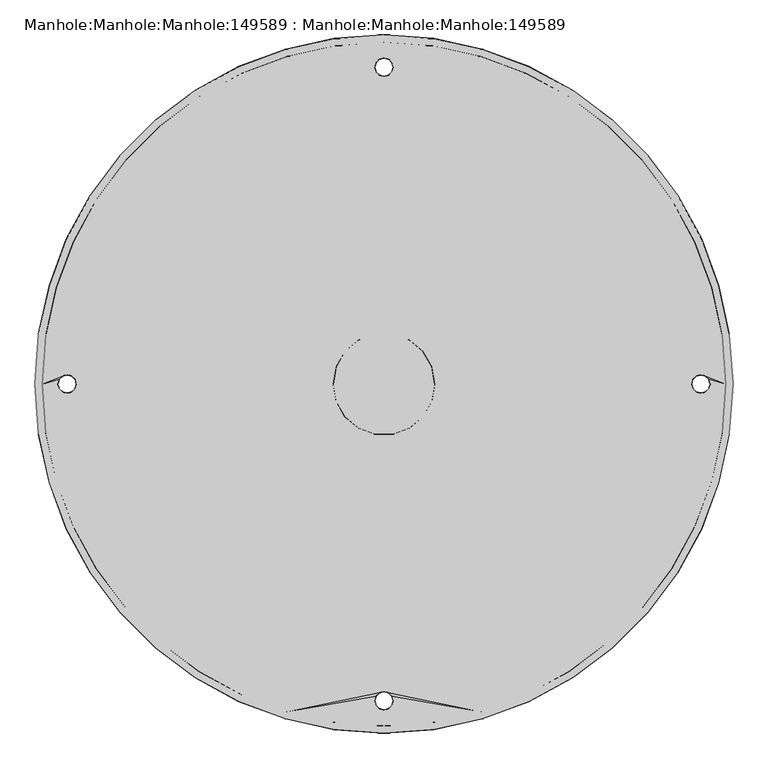
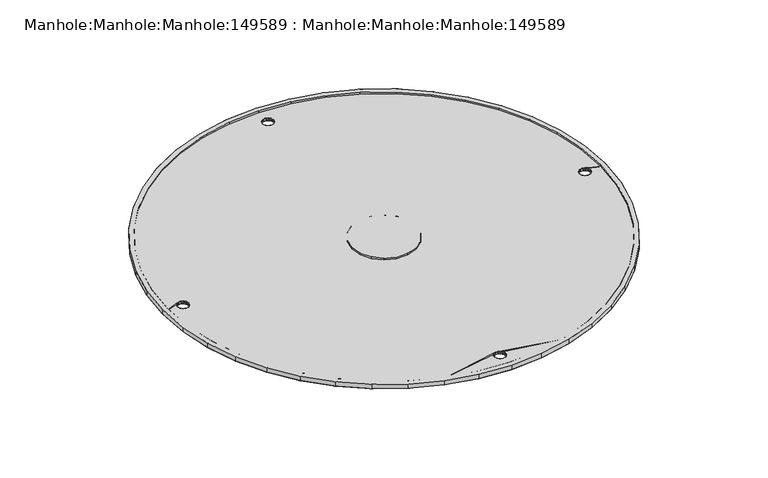
"""IFC4 building model written with IfcOpenShell, lengths in millimetres: proxy geometry, Manhole:Manhole:Manhole:149589 : Manhole:Manhole:Manhole:149589."""

from ifc_helpers import new_model, si_unit, origin, place, context, project, spatial, triangles, source, transform, mapped, element, save


def manhole_manhole_manhole_149589_manhole_manhole_manhole_c60ed9a2(model_context):
    return source(origin(), model_context, "Body", "Tessellation", [
        triangles([(-93507.576123, -63060.1369263, 237952.3035645), (-93513.7896973, -62973.384082, 237952.9546875), (-93532.27229, -62888.3985718, 237953.5686035), (-93562.6704346, -62806.9105225, 237954.1825195), (-93604.3516113, -62730.575647, 237954.740625), (-93656.4786621, -62660.9473389, 237955.2429199), (-93717.9818848, -62599.4487671, 237955.7080078), (-93787.605542, -62547.3263672, 237956.0800781), (-93863.9450684, -62505.6405396, 237956.3963379), (-93945.4377686, -62475.2470459, 237956.6195801), (-94030.4279297, -62456.7598022, 237956.7498047), (-94117.176123, -62450.5555298, 237956.8056152), (-94203.9336182, -62456.7598022, 237956.7498047), (-94288.9237793, -62475.2470459, 237956.6195801), (-94370.4164795, -62505.6405396, 237956.3963379), (-94446.7560059, -62547.3263672, 237956.0800781), (-94516.3796631, -62599.4487671, 237955.7080078), (-94577.8828857, -62660.9473389, 237955.2429199), (-94630.0099365, -62730.575647, 237954.740625), (-94671.6911133, -62806.9105225, 237954.1825195), (-94702.0892578, -62888.3985718, 237953.5686035), (-94720.5718506, -62973.384082, 237952.9546875), (-94726.776123, -63060.1369263, 237952.3035645), (-94720.5718506, -63146.8897705, 237951.6710449), (-94702.0892578, -63231.8799316, 237951.0385254), (-94671.6911133, -63313.367981, 237950.4432129), (-94630.0099365, -63389.7028564, 237949.8851074), (-94577.8828857, -63459.3311646, 237949.364209), (-94516.3796631, -63520.8297363, 237948.9177246), (-94446.7560059, -63572.9521362, 237948.5270508), (-94370.4164795, -63614.6379639, 237948.2293945), (-94288.9237793, -63645.0314575, 237948.0061523), (-94203.9336182, -63663.5187012, 237947.8573242), (-94117.176123, -63669.7229736, 237947.8201172), (-94030.4279297, -63663.5187012, 237947.8573242), (-93945.4377686, -63645.0314575, 237948.0061523), (-93863.9450684, -63614.6379639, 237948.2293945), (-93787.605542, -63572.9521362, 237948.5270508), (-93717.9818848, -63520.8297363, 237948.9177246), (-93656.4786621, -63459.3311646, 237949.364209), (-93604.3516113, -63389.7028564, 237949.8851074), (-93562.6704346, -63313.367981, 237950.4432129), (-93532.27229, -63231.8799316, 237951.0385254), (-93513.7896973, -63146.8897705, 237951.6710449), (-94714.0792236, -63060.1369263, 237952.3035645), (-94708.0051758, -62975.1932739, 237952.936084), (-94689.9039551, -62891.9797485, 237953.55), (-94660.1383301, -62812.1846191, 237954.126709), (-94619.3222168, -62737.4403442, 237954.6848145), (-94568.2834717, -62669.2631104, 237955.1871094), (-94508.0638916, -62609.0435303, 237955.6335938), (-94439.8913086, -62558.009436, 237956.0056641), (-94365.1423828, -62517.1933228, 237956.3033203), (-94285.3426025, -62487.4323486, 237956.5265625), (-94202.1290771, -62469.3311279, 237956.6567871), (-94117.176123, -62463.2570801, 237956.7125977), (-94032.2324707, -62469.3311279, 237956.6567871), (-93949.0189453, -62487.4323486, 237956.5265625), (-93869.219165, -62517.1933228, 237956.3033203), (-93794.4702393, -62558.009436, 237956.0056641), (-93726.2976562, -62609.0435303, 237955.6335938), (-93666.0780762, -62669.2631104, 237955.1871094), (-93615.0393311, -62737.4403442, 237954.6848145), (-93574.2232178, -62812.1846191, 237954.126709), (-93544.4575928, -62891.9797485, 237953.55), (-93526.3563721, -62975.1932739, 237952.936084), (-93520.2823242, -63060.1369263, 237952.3035645), (-93526.3563721, -63145.0852295, 237951.6896484), (-93544.4575928, -63228.2987549, 237951.0757324), (-93574.2232178, -63308.0938843, 237950.4804199), (-93615.0393311, -63382.8381592, 237949.940918), (-93666.0780762, -63451.0153931, 237949.438623), (-93726.2976562, -63511.2349731, 237948.9921387), (-93794.4702393, -63562.2690674, 237948.6014648), (-93869.219165, -63603.0851807, 237948.3038086), (-93949.0189453, -63632.8461548, 237948.0991699), (-94032.2324707, -63650.9473755, 237947.9503418), (-94117.176123, -63657.0214233, 237947.9131348), (-94202.1290771, -63650.9473755, 237947.9503418), (-94285.3426025, -63632.8461548, 237948.0991699), (-94365.1423828, -63603.0851807, 237948.3038086), (-94439.8913086, -63562.2690674, 237948.6014648), (-94508.0638916, -63511.2349731, 237948.9921387), (-94568.2834717, -63451.0153931, 237949.438623), (-94619.3222168, -63382.8381592, 237949.940918), (-94660.1383301, -63308.0938843, 237950.4804199), (-94689.9039551, -63228.2987549, 237951.0757324), (-94708.0051758, -63145.0852295, 237951.6896484), (-94206.0823242, -63060.1369263, 237952.3035645), (-94200.71521, -63090.5443726, 237952.0803223), (-94185.2835938, -63117.2822754, 237951.8942871), (-94161.6292236, -63137.1275757, 237951.745459), (-94132.617041, -63147.6850708, 237951.6710449), (-94101.7445068, -63147.6850708, 237951.6710449), (-94072.7323242, -63137.1275757, 237951.745459), (-94049.0779541, -63117.2822754, 237951.8942871), (-94033.6463379, -63090.5443726, 237952.0803223), (-94028.2792236, -63060.1369263, 237952.3035645), (-94033.6463379, -63029.7341309, 237952.5268066), (-94049.0779541, -63002.996228, 237952.7314453), (-94072.7323242, -62983.1509277, 237952.8802734), (-94101.7445068, -62972.5934326, 237952.9546875), (-94132.617041, -62972.5934326, 237952.9546875), (-94161.6292236, -62983.1509277, 237952.8802734), (-94185.2835938, -63002.996228, 237952.7314453), (-94200.71521, -63029.7341309, 237952.5268066), (-93507.576123, -63060.0439087, 237939.6159668), (-93513.7896973, -63146.7967529, 237938.9648438), (-93532.27229, -63231.7869141, 237938.3509277), (-93562.6704346, -63313.2749634, 237937.7370117), (-93604.3516113, -63389.6098389, 237937.1789063), (-93656.4786621, -63459.238147, 237936.6766113), (-93717.9818848, -63520.7367188, 237936.2115234), (-93787.605542, -63572.8591187, 237935.8394531), (-93863.9450684, -63614.5402954, 237935.5231934), (-93945.4377686, -63644.9384399, 237935.2999512), (-94030.4279297, -63663.4256836, 237935.1697266), (-94117.176123, -63669.6299561, 237935.113916), (-94203.9336182, -63663.4256836, 237935.1697266), (-94288.9237793, -63644.9384399, 237935.2999512), (-94370.4164795, -63614.5402954, 237935.5231934), (-94446.7560059, -63572.8591187, 237935.8394531), (-94516.3796631, -63520.7367188, 237936.2115234), (-94577.8828857, -63459.238147, 237936.6766113), (-94630.0099365, -63389.6098389, 237937.1789063), (-94671.6911133, -63313.2749634, 237937.7370117), (-94702.0892578, -63231.7869141, 237938.3509277), (-94720.5718506, -63146.7967529, 237938.9648438), (-94726.776123, -63060.0439087, 237939.6159668), (-94720.5718506, -62973.2910645, 237940.2484863), (-94702.0892578, -62888.3055542, 237940.8810059), (-94671.6911133, -62806.8175049, 237941.4763184), (-94630.0099365, -62730.4779785, 237942.0344238), (-94577.8828857, -62660.8543213, 237942.5553223), (-94516.3796631, -62599.3510986, 237943.0018066), (-94446.7560059, -62547.2333496, 237943.3924805), (-94370.4164795, -62505.547522, 237943.6901367), (-94288.9237793, -62475.1540283, 237943.9133789), (-94203.9336182, -62456.6667847, 237944.062207), (-94117.176123, -62450.4625122, 237944.0994141), (-94030.4279297, -62456.6667847, 237944.062207), (-93945.4377686, -62475.1540283, 237943.9133789), (-93863.9450684, -62505.547522, 237943.6901367), (-93787.605542, -62547.2333496, 237943.3924805), (-93717.9818848, -62599.3510986, 237943.0018066), (-93656.4786621, -62660.8543213, 237942.5553223), (-93604.3516113, -62730.4779785, 237942.0344238), (-93562.6704346, -62806.8175049, 237941.4763184), (-93532.27229, -62888.3055542, 237940.8810059), (-93513.7896973, -62973.2910645, 237940.2484863), (-94101.1677979, -63613.3775757, 237935.5417969), (-94102.7583984, -63606.4291626, 237935.5790039), (-94107.1953369, -63600.8620605, 237935.6162109), (-94113.6135498, -63597.7692261, 237935.653418), (-94120.7386963, -63597.7692261, 237935.653418), (-94127.1662109, -63600.8620605, 237935.6162109), (-94131.6031494, -63606.4291626, 237935.5790039), (-94133.19375, -63613.3775757, 237935.5417969), (-94131.6031494, -63620.3259888, 237935.4859863), (-94127.1662109, -63625.8930908, 237935.4487793), (-94120.7386963, -63628.9859253, 237935.4115723), (-94113.6135498, -63628.9859253, 237935.4115723), (-94107.1953369, -63625.8930908, 237935.4487793), (-94102.7583984, -63620.3259888, 237935.4859863), (-94101.1677979, -62506.7148926, 237943.6901367), (-94102.7583984, -62499.7664795, 237943.7273438), (-94107.1953369, -62494.1947266, 237943.7831543), (-94113.6135498, -62491.106543, 237943.8017578), (-94120.7386963, -62491.106543, 237943.8017578), (-94127.1662109, -62494.1947266, 237943.7831543), (-94131.6031494, -62499.7664795, 237943.7273438), (-94133.19375, -62506.7148926, 237943.6901367), (-94131.6031494, -62513.6586548, 237943.6343262), (-94127.1662109, -62519.2304077, 237943.5971191), (-94120.7386963, -62522.3232422, 237943.5785156), (-94113.6135498, -62522.3232422, 237943.5785156), (-94107.1953369, -62519.2304077, 237943.5971191), (-94102.7583984, -62513.6586548, 237943.6343262), (-94654.5200684, -63060.0439087, 237939.6159668), (-94656.1013672, -63053.1001465, 237939.6531738), (-94660.5476074, -63047.5283936, 237939.7089844), (-94666.9658203, -63044.4355591, 237939.7275879), (-94674.0909668, -63044.4355591, 237939.7275879), (-94680.5091797, -63047.5283936, 237939.7089844), (-94684.9554199, -63053.1001465, 237939.6531738), (-94686.5367188, -63060.0439087, 237939.6159668), (-94684.9554199, -63066.9923218, 237939.5601563), (-94680.5091797, -63072.5640747, 237939.5229492), (-94674.0909668, -63075.6522583, 237939.4857422), (-94666.9658203, -63075.6522583, 237939.4857422), (-94660.5476074, -63072.5640747, 237939.5229492), (-94656.1013672, -63066.9923218, 237939.5601563), (-93579.8414795, -63060.0439087, 237939.6159668), (-93578.2601807, -63066.9923218, 237939.5601563), (-93573.8139404, -63072.5640747, 237939.5229492), (-93567.3957275, -63075.6522583, 237939.4857422), (-93560.2705811, -63075.6522583, 237939.4857422), (-93553.8523682, -63072.5640747, 237939.5229492), (-93549.4061279, -63066.9923218, 237939.5601563), (-93547.8248291, -63060.0439087, 237939.6159668), (-93549.4061279, -63053.1001465, 237939.6531738), (-93553.8523682, -63047.5283936, 237939.7089844), (-93560.2705811, -63044.4355591, 237939.7275879), (-93567.3957275, -63044.4355591, 237939.7275879), (-93573.8139404, -63047.5283936, 237939.7089844), (-93578.2601807, -63053.1001465, 237939.6531738), (-94132.1147461, -63609.4336304, 237943.5041016), (-94131.0450439, -63605.4292236, 237943.5227051), (-94106.2465576, -63602.4991699, 237943.5599121), (-94104.9722168, -63603.6432861, 237935.5976074), (-94129.3800293, -63603.6432861, 237935.5976074), (-94132.3937988, -63609.9033691, 237935.5604004), (-94133.19375, -63613.4333862, 237943.4668945), (-94102.2468018, -63609.4336304, 237943.5041016), (-94101.9584473, -63609.9033691, 237935.5604004), (-94101.1677979, -63613.4333862, 237943.4668945), (-94125.1849365, -63599.5691162, 237943.5785156), (-94128.1149902, -63602.4991699, 237943.5599121), (-94117.176123, -63597.425061, 237943.5971191), (-94117.176123, -63597.7692261, 237935.653418), (-94110.4044434, -63599.3133179, 237935.6348145), (-94109.1766113, -63599.5691162, 237943.5785156), (-94113.1763672, -63598.4994141, 237943.5785156), (-94121.1851807, -63598.4994141, 237943.5785156), (-94123.9571045, -63599.3133179, 237935.6348145), (-94103.3165039, -63605.4292236, 237943.5227051), (-94103.3165039, -63621.4421997, 237943.411084), (-94102.2468018, -63617.437793, 237943.448291), (-94129.3800293, -63623.1072144, 237935.4673828), (-94128.1149902, -63624.3722534, 237943.3924805), (-94104.9722168, -63623.1072144, 237935.4673828), (-94101.9584473, -63616.8517822, 237935.5045898), (-94132.3937988, -63616.8517822, 237935.5045898), (-94132.1147461, -63617.437793, 237943.448291), (-94106.2465576, -63624.3722534, 237943.3924805), (-94109.1766113, -63627.3023071, 237943.373877), (-94117.176123, -63628.9859253, 237935.4115723), (-94117.176123, -63629.4463623, 237943.3552734), (-94125.1849365, -63627.3023071, 237943.373877), (-94123.9571045, -63627.4418335, 237935.4301758), (-94121.1851807, -63628.3720093, 237943.3552734), (-94113.1763672, -63628.3720093, 237943.3552734), (-94110.4044434, -63627.4418335, 237935.4301758), (-94131.0450439, -63621.4421997, 237943.411084), (-94131.0450439, -62498.7665405, 237951.6896484), (-94132.1147461, -62502.7709473, 237951.6524414), (-94104.9722168, -62496.980603, 237943.7645508), (-94106.2465576, -62495.8364868, 237951.708252), (-94129.3800293, -62496.980603, 237943.7645508), (-94133.19375, -62506.7707031, 237951.6152344), (-94132.3937988, -62503.240686, 237943.7087402), (-94101.1677979, -62506.7707031, 237951.6152344), (-94101.9584473, -62503.240686, 237943.7087402), (-94102.2468018, -62502.7709473, 237951.6524414), (-94128.1149902, -62495.8364868, 237951.708252), (-94125.1849365, -62492.9064331, 237951.7268555), (-94117.176123, -62491.106543, 237943.8017578), (-94117.176123, -62490.7623779, 237951.745459), (-94109.1766113, -62492.9064331, 237951.7268555), (-94110.4044434, -62492.6506348, 237943.7831543), (-94113.1763672, -62491.836731, 237951.7268555), (-94121.1851807, -62491.836731, 237951.7268555), (-94123.9571045, -62492.6506348, 237943.7831543), (-94103.3165039, -62498.7665405, 237951.6896484), (-94102.2468018, -62510.7751099, 237951.5966309), (-94103.3165039, -62514.7795166, 237951.5594238), (-94128.1149902, -62517.7095703, 237951.5408203), (-94129.3800293, -62516.4445313, 237943.6157227), (-94104.9722168, -62516.4445313, 237943.6157227), (-94101.9584473, -62510.1890991, 237943.6529297), (-94132.1147461, -62510.7751099, 237951.5966309), (-94132.3937988, -62510.1890991, 237943.6529297), (-94109.1766113, -62520.639624, 237951.5222168), (-94106.2465576, -62517.7095703, 237951.5408203), (-94117.176123, -62522.7836792, 237951.5036133), (-94117.176123, -62522.3232422, 237943.5785156), (-94123.9571045, -62520.7791504, 237943.5785156), (-94125.1849365, -62520.639624, 237951.5222168), (-94121.1851807, -62521.7093262, 237951.5036133), (-94113.1763672, -62521.7093262, 237951.5036133), (-94110.4044434, -62520.7791504, 237943.5785156), (-94131.0450439, -62514.7795166, 237951.5594238), (-94684.3973145, -63052.1002075, 237947.596875), (-94685.4670166, -63056.0999634, 237947.5782715), (-94659.5895264, -63049.1701538, 237947.634082), (-94658.3244873, -63050.31427, 237939.6717773), (-94682.7322998, -63050.31427, 237939.6717773), (-94686.5367188, -63060.1043701, 237947.5410645), (-94685.7460693, -63056.574353, 237939.6345703), (-94655.5897705, -63056.0999634, 237947.5782715), (-94655.3107178, -63056.574353, 237939.6345703), (-94654.5200684, -63060.1043701, 237947.5410645), (-94681.4672607, -63049.1701538, 237947.634082), (-94678.5279053, -63046.2401001, 237947.6526855), (-94670.5283936, -63044.4355591, 237939.7275879), (-94670.5283936, -63044.0960449, 237947.6712891), (-94663.7567139, -63045.9843018, 237939.7089844), (-94662.5195801, -63046.2401001, 237947.6526855), (-94666.5286377, -63045.1657471, 237947.6526855), (-94674.5281494, -63045.1657471, 237947.6526855), (-94677.3000732, -63045.9843018, 237939.7089844), (-94656.6594727, -63052.1002075, 237947.596875), (-94655.5897705, -63064.1087769, 237947.5224609), (-94656.6594727, -63068.1085327, 237947.4852539), (-94682.7322998, -63069.7781982, 237939.5415527), (-94681.4672607, -63071.0385864, 237947.4666504), (-94658.3244873, -63069.7781982, 237939.5415527), (-94655.3107178, -63063.5181152, 237939.5787598), (-94685.7460693, -63063.5181152, 237939.5787598), (-94685.4670166, -63064.1087769, 237947.5224609), (-94662.5195801, -63073.9686401, 237947.4480469), (-94659.5895264, -63071.0385864, 237947.4666504), (-94670.5283936, -63075.6522583, 237939.4857422), (-94670.5283936, -63076.1126953, 237947.4294434), (-94678.5279053, -63073.9686401, 237947.4480469), (-94677.3000732, -63074.1081665, 237939.5043457), (-94674.5281494, -63075.0429932, 237947.4294434), (-94666.5286377, -63075.0429932, 237947.4294434), (-94663.7567139, -63074.1081665, 237939.5043457), (-94684.3973145, -63068.1085327, 237947.4852539), (-93549.9642334, -63068.1085327, 237947.4852539), (-93548.8945312, -63064.1087769, 237947.5224609), (-93574.7720215, -63071.0385864, 237947.4666504), (-93576.0370605, -63069.7781982, 237939.5415527), (-93551.629248, -63069.7781982, 237939.5415527), (-93547.8248291, -63060.1043701, 237947.5410645), (-93548.6154785, -63063.5181152, 237939.5787598), (-93578.7717773, -63064.1087769, 237947.5224609), (-93579.0508301, -63063.5181152, 237939.5787598), (-93579.8414795, -63060.1043701, 237947.5410645), (-93552.8942871, -63071.0385864, 237947.4666504), (-93555.8243408, -63073.9686401, 237947.4480469), (-93563.8331543, -63075.6522583, 237939.4857422), (-93563.8331543, -63076.1126953, 237947.4294434), (-93570.604834, -63074.1081665, 237939.5043457), (-93571.8419678, -63073.9686401, 237947.4480469), (-93567.8329102, -63075.0429932, 237947.4294434), (-93559.8333984, -63075.0429932, 237947.4294434), (-93557.0614746, -63074.1081665, 237939.5043457), (-93577.7020752, -63068.1085327, 237947.4852539), (-93578.7717773, -63056.0999634, 237947.5782715), (-93577.7020752, -63052.1002075, 237947.596875), (-93551.629248, -63050.31427, 237939.6717773), (-93552.8942871, -63049.1701538, 237947.634082), (-93576.0370605, -63050.31427, 237939.6717773), (-93579.0508301, -63056.574353, 237939.6345703), (-93548.6154785, -63056.574353, 237939.6345703), (-93548.8945312, -63056.0999634, 237947.5782715), (-93571.8419678, -63046.2401001, 237947.6526855), (-93574.7720215, -63049.1701538, 237947.634082), (-93563.8331543, -63044.4355591, 237939.7275879), (-93563.8331543, -63044.0960449, 237947.6712891), (-93555.8243408, -63046.2401001, 237947.6526855), (-93557.0614746, -63045.9843018, 237939.7089844), (-93559.8333984, -63045.1657471, 237947.6526855), (-93567.8329102, -63045.1657471, 237947.6526855), (-93570.604834, -63045.9843018, 237939.7089844), (-93549.9642334, -63052.1002075, 237947.596875), (-93520.2823242, -63060.1043701, 237947.5410645), (-93526.3563721, -62975.1607178, 237948.173584), (-93544.4575928, -62891.9425415, 237948.7875), (-93574.2232178, -62812.1474121, 237949.364209), (-93615.0393311, -62737.4031372, 237949.9223145), (-93666.0780762, -62669.2305542, 237950.4246094), (-93726.2976562, -62609.0109741, 237950.8710938), (-93794.4702393, -62557.972229, 237951.2431641), (-93869.219165, -62517.1607666, 237951.5408203), (-93949.0189453, -62487.3997925, 237951.7640625), (-94032.2324707, -62469.2939209, 237951.8942871), (-94117.176123, -62463.219873, 237951.9500977), (-94202.1290771, -62469.2939209, 237951.8942871), (-94285.3426025, -62487.3997925, 237951.7640625), (-94365.1423828, -62517.1607666, 237951.5408203), (-94439.8913086, -62557.972229, 237951.2431641), (-94508.0638916, -62609.0109741, 237950.8710938), (-94568.2834717, -62669.2305542, 237950.4246094), (-94619.3222168, -62737.4031372, 237949.9223145), (-94660.1383301, -62812.1474121, 237949.364209), (-94689.9039551, -62891.9425415, 237948.7875), (-94708.0051758, -62975.1607178, 237948.173584), (-94714.0792236, -63060.1043701, 237947.5410645), (-94708.0051758, -63145.0480225, 237946.9271484), (-94689.9039551, -63228.2661987, 237946.3132324), (-94660.1383301, -63308.0566772, 237945.7179199), (-94619.3222168, -63382.805603, 237945.178418), (-94568.2834717, -63450.978186, 237944.676123), (-94508.0638916, -63511.1977661, 237944.2296387), (-94439.8913086, -63562.2365112, 237943.8389648), (-94365.1423828, -63603.0479736, 237943.5413086), (-94285.3426025, -63632.8089478, 237943.3366699), (-94202.1290771, -63650.9101685, 237943.1878418), (-94117.176123, -63656.9888672, 237943.1506348), (-94032.2324707, -63650.9101685, 237943.1878418), (-93949.0189453, -63632.8089478, 237943.3366699), (-93869.219165, -63603.0479736, 237943.5413086), (-93794.4702393, -63562.2365112, 237943.8389648), (-93726.2976562, -63511.1977661, 237944.2296387), (-93666.0780762, -63450.978186, 237944.676123), (-93615.0393311, -63382.805603, 237945.178418), (-93574.2232178, -63308.0566772, 237945.7179199), (-93544.4575928, -63228.2661987, 237946.3132324), (-93526.3563721, -63145.0480225, 237946.9271484), (-94028.2792236, -63060.1043701, 237947.5410645), (-94033.6463379, -63090.5071655, 237947.3178223), (-94049.0779541, -63117.2450684, 237947.1317871), (-94072.7323242, -63137.0903687, 237946.982959), (-94101.7445068, -63147.6525146, 237946.9085449), (-94132.617041, -63147.6525146, 237946.9085449), (-94161.6292236, -63137.0903687, 237946.982959), (-94185.2835938, -63117.2450684, 237947.1317871), (-94200.71521, -63090.5071655, 237947.3178223), (-94206.0823242, -63060.1043701, 237947.5410645), (-94200.71521, -63029.7015747, 237947.7643066), (-94185.2835938, -63002.9636719, 237947.9689453), (-94161.6292236, -62983.1183716, 237948.1177734), (-94132.617041, -62972.5562256, 237948.1921875), (-94101.7445068, -62972.5562256, 237948.1921875), (-94072.7323242, -62983.1183716, 237948.1177734), (-94049.0779541, -63002.9636719, 237947.9689453), (-94033.6463379, -63029.7015747, 237947.7643066)], [[38, 74, 75], [74, 38, 39], [39, 40, 73], [39, 73, 74], [35, 36, 77], [77, 36, 76], [35, 77, 78], [76, 37, 75], [37, 76, 36], [75, 37, 38], [73, 40, 72], [43, 44, 68], [44, 67, 68], [67, 44, 1], [67, 1, 66], [43, 68, 69], [72, 41, 71], [41, 72, 40], [71, 41, 42], [42, 69, 70], [69, 42, 43], [42, 70, 71], [33, 34, 79], [79, 80, 33], [78, 79, 34], [34, 35, 78], [33, 80, 32], [32, 81, 31], [81, 32, 80], [31, 81, 82], [29, 30, 83], [82, 30, 31], [82, 83, 30], [84, 29, 83], [29, 84, 28], [85, 27, 28], [27, 85, 86], [85, 28, 84], [25, 26, 87], [86, 26, 27], [87, 26, 86], [88, 24, 25], [24, 88, 45], [88, 25, 87], [66, 2, 65], [2, 66, 1], [64, 65, 3], [3, 65, 2], [64, 3, 4], [4, 63, 64], [63, 4, 5], [63, 5, 62], [62, 6, 61], [6, 62, 5], [61, 6, 7], [60, 7, 8], [8, 9, 59], [59, 9, 58], [8, 59, 60], [58, 10, 57], [10, 58, 9], [57, 10, 11], [56, 11, 12], [11, 56, 57], [56, 12, 55], [60, 61, 7], [48, 20, 21], [20, 48, 19], [19, 49, 18], [18, 49, 50], [49, 19, 48], [45, 46, 23], [23, 46, 22], [45, 23, 24], [22, 47, 21], [47, 22, 46], [21, 47, 48], [53, 54, 14], [13, 14, 54], [13, 55, 12], [13, 54, 55], [53, 14, 15], [50, 17, 18], [50, 51, 17], [17, 51, 16], [52, 15, 16], [15, 52, 53], [52, 16, 51], [103, 104, 105], [106, 89, 105], [100, 105, 89], [103, 105, 102], [102, 100, 101], [105, 100, 102], [100, 98, 99], [100, 89, 98], [89, 91, 94], [91, 92, 94], [93, 94, 92], [97, 98, 95], [97, 95, 96], [95, 98, 94], [89, 94, 98], [89, 90, 91], [148, 206, 147], [149, 205, 148], [150, 203, 204], [203, 150, 202], [149, 150, 205], [146, 147, 206], [143, 177, 142], [143, 144, 177], [176, 145, 146], [144, 145, 176], [141, 142, 178], [204, 205, 150], [202, 107, 201], [107, 202, 150], [201, 107, 200], [199, 200, 107], [198, 199, 107], [198, 108, 197], [206, 176, 146], [205, 206, 148], [196, 197, 108], [154, 193, 194], [194, 195, 110], [176, 206, 193], [198, 107, 108], [193, 179, 175], [140, 167, 168], [140, 141, 167], [140, 168, 169], [165, 166, 141], [178, 165, 141], [141, 166, 167], [173, 138, 139], [170, 140, 169], [139, 140, 170], [171, 172, 139], [170, 171, 139], [172, 173, 139], [174, 137, 138], [174, 136, 137], [176, 193, 175], [136, 174, 175], [144, 176, 177], [174, 138, 173], [175, 134, 135], [135, 136, 175], [133, 134, 180], [133, 180, 132], [132, 181, 131], [131, 181, 130], [175, 180, 134], [178, 142, 177], [195, 196, 108], [195, 109, 110], [194, 110, 111], [194, 112, 154], [111, 112, 194], [112, 113, 154], [154, 114, 153], [153, 114, 115], [155, 193, 154], [193, 155, 179], [153, 115, 116], [154, 113, 114], [122, 155, 156], [151, 152, 117], [164, 151, 117], [164, 117, 163], [117, 152, 116], [163, 117, 118], [152, 153, 116], [158, 159, 119], [157, 158, 119], [162, 118, 161], [118, 162, 163], [160, 161, 118], [160, 119, 159], [119, 160, 118], [156, 157, 120], [182, 130, 181], [181, 132, 180], [179, 155, 192], [191, 192, 126], [179, 180, 175], [184, 185, 129], [184, 129, 130], [186, 187, 129], [188, 129, 187], [186, 129, 185], [184, 130, 183], [182, 183, 130], [123, 124, 155], [155, 124, 192], [121, 122, 156], [123, 155, 122], [124, 125, 192], [189, 190, 128], [188, 189, 128], [128, 191, 127], [190, 191, 128], [126, 127, 191], [125, 126, 192], [188, 128, 129], [156, 120, 121], [119, 120, 157], [195, 108, 109], [27, 26, 125], [126, 125, 26], [26, 25, 126], [127, 126, 25], [28, 27, 124], [125, 124, 27], [32, 31, 121], [121, 120, 32], [33, 32, 119], [120, 119, 32], [30, 29, 122], [123, 122, 29], [31, 30, 121], [122, 121, 30], [29, 28, 123], [124, 123, 28], [34, 33, 119], [119, 118, 34], [127, 25, 24], [24, 128, 127], [128, 24, 23], [23, 129, 128], [38, 37, 115], [115, 114, 38], [36, 35, 117], [117, 116, 36], [37, 36, 115], [116, 115, 36], [39, 38, 114], [114, 113, 39], [43, 42, 110], [110, 109, 43], [44, 43, 109], [109, 108, 44], [41, 40, 112], [112, 111, 41], [42, 41, 111], [111, 110, 42], [40, 39, 113], [113, 112, 40], [1, 44, 108], [108, 107, 1], [118, 117, 34], [35, 34, 117], [1, 107, 2], [150, 2, 107], [3, 149, 4], [148, 4, 149], [2, 150, 3], [149, 3, 150], [4, 148, 5], [147, 5, 148], [11, 10, 142], [142, 141, 11], [6, 146, 7], [145, 7, 146], [12, 11, 140], [141, 140, 11], [5, 147, 6], [146, 6, 147], [7, 145, 8], [144, 8, 145], [144, 143, 9], [9, 8, 144], [10, 9, 143], [143, 142, 10], [16, 15, 136], [137, 136, 15], [14, 13, 138], [139, 138, 13], [15, 14, 137], [138, 137, 14], [17, 16, 135], [136, 135, 16], [21, 20, 131], [132, 131, 20], [22, 21, 130], [131, 130, 21], [19, 18, 133], [134, 133, 18], [20, 19, 132], [133, 132, 19], [18, 17, 134], [135, 134, 17], [23, 22, 129], [130, 129, 22], [140, 139, 13], [13, 12, 140], [207, 157, 208], [209, 153, 210], [208, 157, 211], [158, 212, 213], [214, 215, 216], [156, 217, 218], [154, 219, 220], [155, 220, 219], [221, 153, 222], [211, 218, 208], [212, 157, 207], [212, 207, 213], [222, 223, 221], [155, 219, 224], [214, 152, 215], [217, 225, 224], [211, 156, 218], [209, 222, 153], [221, 223, 154], [155, 224, 225], [209, 210, 226], [214, 226, 152], [223, 219, 154], [151, 216, 215], [152, 226, 210], [217, 156, 225], [227, 164, 228], [229, 160, 230], [231, 164, 227], [216, 232, 151], [213, 233, 234], [235, 236, 163], [161, 237, 238], [162, 238, 237], [239, 160, 240], [227, 235, 231], [228, 164, 232], [216, 228, 232], [240, 241, 239], [242, 238, 162], [233, 159, 234], [242, 243, 236], [235, 163, 231], [160, 239, 230], [161, 241, 240], [243, 242, 162], [244, 229, 230], [159, 244, 234], [161, 238, 241], [233, 213, 158], [229, 244, 159], [243, 163, 236], [245, 171, 246], [247, 167, 248], [249, 171, 245], [250, 251, 172], [252, 253, 254], [255, 256, 170], [258, 168, 257], [257, 169, 258], [259, 167, 260], [245, 255, 249], [246, 171, 251], [250, 246, 251], [260, 261, 259], [262, 258, 169], [253, 166, 254], [262, 263, 256], [255, 170, 249], [167, 259, 248], [168, 261, 260], [263, 262, 169], [264, 247, 248], [166, 264, 254], [168, 258, 261], [253, 252, 165], [247, 264, 166], [263, 170, 256], [265, 178, 266], [267, 174, 268], [266, 178, 269], [165, 270, 252], [271, 272, 250], [177, 273, 274], [175, 275, 276], [176, 276, 275], [277, 174, 278], [269, 274, 266], [270, 178, 265], [270, 265, 252], [278, 279, 277], [176, 275, 280], [271, 173, 272], [273, 281, 280], [269, 177, 274], [267, 278, 174], [277, 279, 175], [176, 280, 281], [267, 268, 282], [271, 282, 173], [279, 275, 175], [172, 250, 272], [173, 282, 268], [273, 177, 281], [283, 185, 284], [285, 181, 286], [287, 185, 283], [288, 289, 186], [290, 291, 292], [293, 294, 184], [182, 295, 296], [183, 296, 295], [297, 181, 298], [283, 293, 287], [284, 185, 289], [288, 284, 289], [298, 299, 297], [300, 296, 183], [290, 180, 291], [300, 301, 294], [293, 184, 287], [285, 298, 181], [297, 299, 182], [301, 300, 183], [285, 286, 302], [290, 302, 180], [299, 296, 182], [291, 179, 292], [180, 302, 286], [301, 184, 294], [303, 192, 304], [305, 188, 306], [304, 192, 307], [179, 308, 292], [288, 309, 310], [191, 311, 312], [189, 313, 314], [190, 314, 313], [315, 188, 316], [307, 312, 304], [308, 192, 303], [308, 303, 292], [316, 317, 315], [190, 314, 318], [309, 187, 310], [311, 319, 318], [307, 191, 312], [188, 315, 306], [189, 317, 316], [190, 318, 319], [320, 305, 306], [187, 320, 310], [189, 314, 317], [309, 288, 186], [305, 320, 187], [311, 191, 319], [321, 199, 322], [323, 195, 324], [325, 199, 321], [326, 327, 200], [328, 329, 330], [331, 332, 198], [196, 333, 334], [197, 334, 333], [335, 195, 336], [321, 331, 325], [322, 199, 327], [326, 322, 327], [336, 337, 335], [338, 334, 197], [328, 194, 329], [338, 339, 332], [331, 198, 325], [323, 336, 195], [335, 337, 196], [339, 338, 197], [323, 324, 340], [328, 340, 194], [337, 334, 196], [193, 330, 329], [194, 340, 324], [339, 198, 332], [341, 206, 342], [343, 202, 344], [342, 206, 345], [330, 193, 346], [326, 347, 348], [205, 349, 350], [203, 351, 352], [204, 352, 351], [353, 202, 354], [345, 350, 342], [346, 206, 341], [346, 341, 330], [354, 355, 353], [204, 352, 356], [347, 201, 348], [349, 357, 356], [345, 205, 350], [202, 353, 344], [203, 355, 354], [204, 356, 357], [358, 343, 344], [201, 358, 348], [203, 352, 355], [347, 326, 200], [343, 358, 201], [349, 205, 357], [399, 405, 398], [399, 404, 405], [336, 401, 402], [334, 402, 332], [400, 401, 340], [399, 400, 404], [394, 226, 393], [395, 222, 394], [396, 397, 406], [405, 406, 397], [397, 398, 405], [396, 406, 395], [406, 222, 395], [334, 336, 402], [332, 359, 321], [359, 332, 402], [321, 359, 326], [358, 326, 359], [352, 353, 360], [358, 359, 353], [359, 360, 353], [340, 330, 404], [340, 404, 400], [420, 330, 342], [404, 330, 403], [361, 342, 349], [420, 403, 330], [401, 336, 340], [349, 352, 360], [392, 236, 238], [236, 392, 227], [392, 238, 239], [216, 393, 226], [394, 222, 226], [216, 227, 393], [392, 393, 227], [390, 391, 208], [244, 392, 239], [391, 392, 244], [208, 217, 390], [244, 213, 391], [208, 391, 213], [390, 217, 389], [217, 409, 389], [407, 219, 222], [408, 219, 407], [217, 219, 408], [409, 217, 408], [387, 409, 410], [389, 409, 388], [385, 410, 411], [409, 387, 388], [410, 386, 387], [385, 411, 384], [304, 383, 384], [386, 410, 385], [383, 311, 382], [411, 304, 384], [407, 222, 406], [342, 361, 362], [420, 342, 362], [419, 363, 364], [420, 362, 363], [364, 365, 419], [420, 363, 419], [419, 365, 418], [418, 273, 417], [416, 417, 275], [275, 417, 273], [418, 367, 273], [367, 418, 366], [366, 418, 365], [266, 273, 368], [252, 266, 369], [369, 264, 252], [370, 259, 264], [264, 369, 370], [369, 266, 368], [273, 367, 368], [372, 278, 282], [416, 275, 278], [258, 370, 256], [370, 258, 259], [245, 256, 370], [370, 371, 245], [250, 245, 371], [371, 282, 250], [304, 311, 383], [411, 292, 304], [311, 314, 382], [413, 292, 412], [292, 413, 302], [379, 298, 302], [315, 320, 381], [314, 315, 382], [283, 294, 381], [288, 381, 320], [381, 288, 283], [294, 380, 381], [315, 381, 382], [378, 302, 413], [412, 292, 411], [416, 278, 415], [375, 414, 415], [415, 278, 373], [374, 415, 373], [372, 373, 278], [282, 371, 372], [375, 415, 374], [298, 380, 296], [298, 379, 380], [296, 380, 294], [377, 378, 413], [378, 379, 302], [414, 376, 377], [414, 375, 376], [413, 414, 377], [349, 360, 361], [413, 412, 106], [89, 106, 412], [415, 414, 104], [105, 104, 414], [414, 413, 105], [106, 105, 413], [416, 415, 103], [104, 103, 415], [417, 416, 103], [103, 102, 417], [418, 417, 102], [102, 101, 418], [420, 419, 100], [100, 99, 420], [419, 418, 101], [101, 100, 419], [403, 420, 99], [99, 98, 403], [404, 403, 98], [98, 97, 404], [406, 405, 96], [96, 95, 406], [405, 404, 97], [97, 96, 405], [407, 406, 95], [95, 94, 407], [408, 407, 94], [94, 93, 408], [409, 408, 92], [93, 92, 408], [411, 410, 90], [91, 90, 410], [410, 409, 91], [92, 91, 409], [412, 411, 89], [90, 89, 411], [87, 88, 383], [382, 383, 88], [384, 86, 87], [87, 383, 384], [88, 45, 382], [381, 382, 45], [385, 85, 86], [86, 384, 385], [387, 83, 84], [84, 386, 387], [386, 84, 85], [85, 385, 386], [391, 79, 80], [80, 390, 391], [390, 80, 81], [81, 389, 390], [389, 81, 82], [82, 388, 389], [388, 82, 83], [83, 387, 388], [79, 391, 392], [392, 78, 79], [394, 76, 393], [77, 393, 76], [397, 73, 396], [74, 396, 73], [396, 74, 75], [75, 395, 396], [395, 75, 76], [76, 394, 395], [400, 70, 399], [71, 399, 70], [399, 71, 72], [72, 398, 399], [359, 67, 402], [68, 402, 67], [402, 68, 69], [69, 401, 402], [401, 69, 70], [70, 400, 401], [398, 72, 73], [73, 397, 398], [78, 392, 393], [393, 77, 78], [62, 63, 363], [363, 364, 62], [64, 65, 361], [361, 362, 64], [65, 66, 360], [360, 361, 65], [63, 64, 362], [362, 363, 63], [59, 60, 366], [366, 367, 59], [60, 61, 365], [365, 366, 60], [369, 57, 368], [58, 368, 57], [368, 58, 367], [59, 367, 58], [61, 62, 364], [364, 365, 61], [370, 56, 57], [57, 369, 370], [359, 360, 66], [66, 67, 359], [372, 54, 55], [55, 371, 372], [375, 51, 52], [52, 374, 375], [374, 52, 53], [53, 373, 374], [373, 53, 54], [54, 372, 373], [378, 48, 49], [49, 377, 378], [377, 49, 50], [50, 376, 377], [381, 45, 46], [46, 380, 381], [380, 46, 47], [47, 379, 380], [379, 47, 48], [48, 378, 379], [376, 50, 51], [51, 375, 376], [56, 370, 55], [371, 55, 370]], closed=False),
    ])


if __name__ == "__main__":
    model = new_model("IFC4")
    model_context = context("Model", 3, world=origin())
    ifc_project = project(units=[si_unit("LENGTHUNIT", "METRE", prefix="MILLI")], contexts=[model_context])
    site = spatial("IfcSite", under=ifc_project)
    building = spatial("IfcBuilding", under=site)
    placement = place(None, origin())
    manhole_manhole_manhole_149589_manhole_manhole_manhole_shape = manhole_manhole_manhole_149589_manhole_manhole_manhole_c60ed9a2(model_context)
    element("IfcBuildingElementProxy", 1, Name="Manhole:Manhole:Manhole:149589 : Manhole:Manhole:Manhole:149589", ObjectType="Manhole:Manhole:Manhole:149589 : Manhole:Manhole:Manhole:149589", at=placement, inside=building, context=model_context, shape_type="MappedRepresentation", body=[
        mapped(manhole_manhole_manhole_149589_manhole_manhole_manhole_shape, transform((0.0, 0.0, 0.0), x_axis=(1.0, 0.0, 0.0), y_axis=(0.0, 1.0, 0.0), z_axis=(0.0, 0.0, 1.0))),
    ])
    save(model, "model.ifc")
